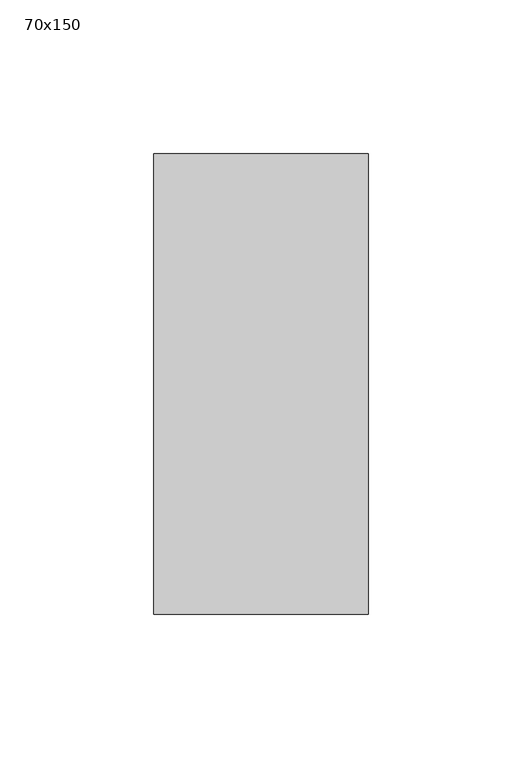
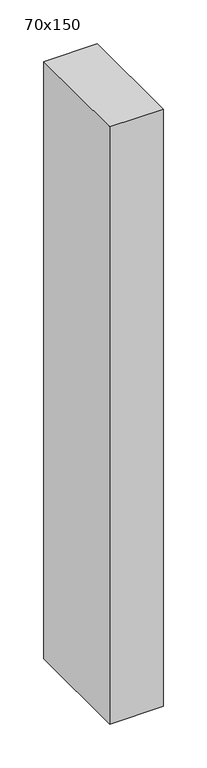
"""IFC4 building model written with IfcOpenShell, lengths in millimetres: member geometry, 70x150."""

from ifc_helpers import new_model, si_unit, frame, origin, place, context, project, spatial, polyline, outline, extrude, source, transform, mapped, element, save


def member_70x150_66cf63de(model_context):
    return source(origin(), model_context, "Body", "SweptSolid", [
        extrude(outline(polyline([(0.0, 75.0), (0.0, -75.0), (-70.0, -75.0), (-70.0, 75.0), (0.0, 75.0)])), frame((0.0, 0.0, -830.0), z_axis=(0.0, 0.0, 1.0), x_axis=(1.0, 0.0, 0.0)), (0.0, 0.0, 1.0), 830.0),
    ])


if __name__ == "__main__":
    model = new_model("IFC4")
    model_context = context("Model", 3, world=origin())
    ifc_project = project(units=[si_unit("LENGTHUNIT", "METRE", prefix="MILLI")], contexts=[model_context])
    site = spatial("IfcSite", under=ifc_project)
    building = spatial("IfcBuilding", under=site)
    placement = place(None, origin())
    member_70x150_shape = member_70x150_66cf63de(model_context)
    element("IfcMember", 1, ObjectType="70x150", at=placement, inside=building, context=model_context, shape_type="MappedRepresentation", body=[
        mapped(member_70x150_shape, transform((0.0, 0.0, 0.0), x_axis=(1.0, 0.0, 0.0), y_axis=(0.0, 1.0, 0.0), z_axis=(0.0, 0.0, 1.0))),
    ])
    save(model, "model.ifc")
